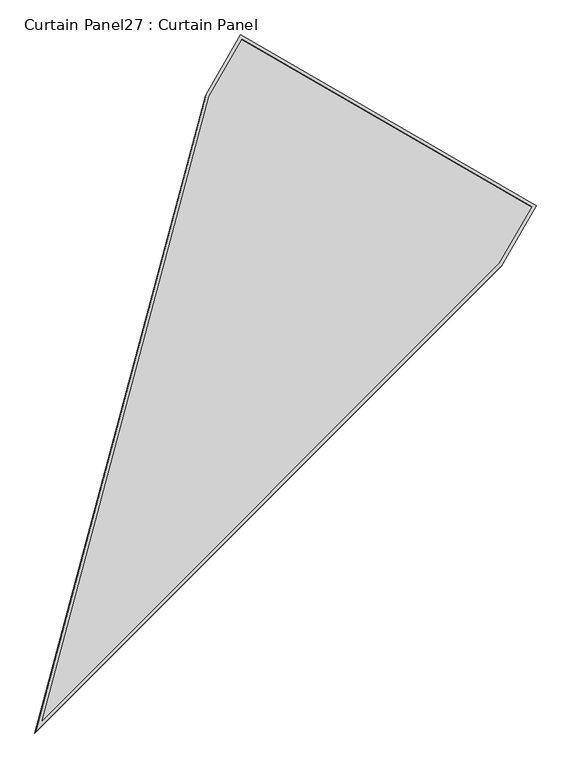
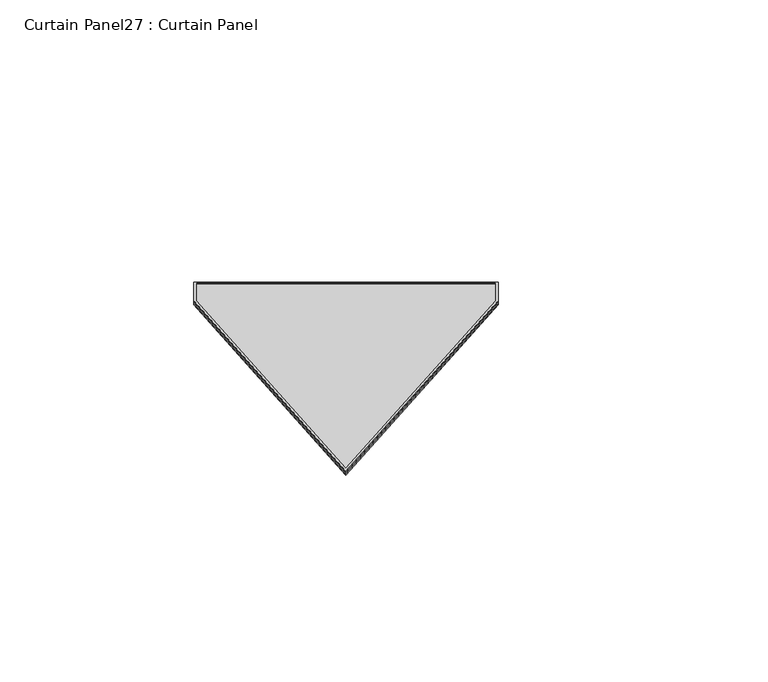
"""IFC4 building model written with IfcOpenShell, lengths in millimetres: plate geometry, Curtain Panel27 : Curtain Panel."""

from ifc_helpers import new_model, si_unit, frame, origin, place, context, project, spatial, polyline, outline, extrude, source, transform, mapped, element, save


def curtain_panel27_curtain_panel_dc1e4e00(model_context):
    return source(origin(), model_context, "Body", "SweptSolid", [
        extrude(outline(polyline([(847.4221258, -3694.4018299), (0.0, -360.8010438), (0.0, 0.0), (1694.8442516, 0.0), (1694.8442516, -360.8010438), (847.4221258, -3694.4018299)]), holes=[polyline([(1678.1814537, -16.6627979), (16.6627979, -16.6627978), (16.6627978, -358.7163025), (847.4221258, -3626.7687455), (1678.1814537, -358.7163024), (1678.1814537, -16.6627979)])]), frame((13332.2877687, 4842.3251566, 1930.4830539), z_axis=(0.15807291198690548, 0.2737903148616775, 0.9487106081329141), x_axis=(0.8660254037844337, -0.5000000000000085, 0.0)), (0.0, 0.0, 1.0), 4.8113593),
        extrude(outline(polyline([(847.4221258, -3694.4018299), (0.0, -360.8010438), (0.0, 0.0), (1694.8442516, -1e-07), (1694.8442516, -360.8010438), (847.4221258, -3694.4018299)]), holes=[polyline([(1684.5314537, -10.3127979), (10.3127979, -10.3127978), (10.3127979, -359.5107733), (847.4221258, -3652.5429336), (1684.5314537, -359.5107733), (1684.5314537, -10.3127979)])]), frame((13329.4981934, 4837.4934705, 1913.740782), z_axis=(0.15807291198690582, 0.27379031486167743, 0.9487106081329141), x_axis=(0.8660254037844335, -0.500000000000009, 0.0)), (0.0, 0.0, 1.0), 4.7793186),
        extrude(outline(polyline([(12.7, 0.0), (1707.5442516, 0.0), (1707.5442516, -360.8010438), (860.1221258, -3694.4018299), (12.7, -360.8010438), (12.7, 0.0)])), frame((13319.2551516, 4845.1520016, 1918.2749722), z_axis=(0.15807291198690573, 0.2737903148616775, 0.9487106081329141), x_axis=(0.8660254037844335, -0.500000000000009, 0.0)), (0.0, 0.0, 1.0), 12.8680776),
    ])


if __name__ == "__main__":
    model = new_model("IFC4")
    model_context = context("Model", 3, world=origin())
    ifc_project = project(units=[si_unit("LENGTHUNIT", "METRE", prefix="MILLI")], contexts=[model_context])
    site = spatial("IfcSite", under=ifc_project)
    building = spatial("IfcBuilding", under=site)
    placement = place(None, origin())
    curtain_panel27_curtain_panel_shape = curtain_panel27_curtain_panel_dc1e4e00(model_context)
    element("IfcPlate", 1, ObjectType="Curtain Panel27 : Curtain Panel", at=placement, inside=building, context=model_context, shape_type="MappedRepresentation", body=[
        mapped(curtain_panel27_curtain_panel_shape, transform((0.0, 0.0, 0.0), x_axis=(1.0, 0.0, 0.0), y_axis=(0.0, 1.0, 0.0), z_axis=(0.0, 0.0, 1.0))),
    ])
    save(model, "model.ifc")
